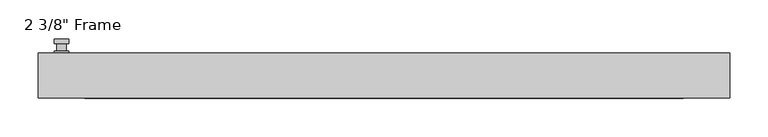
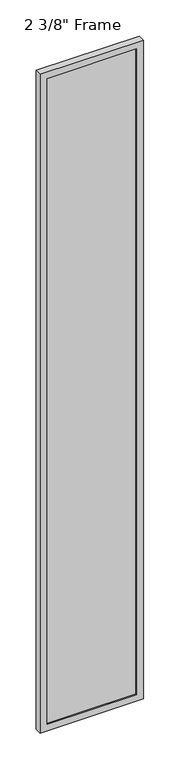
"""IFC4 building model written with IfcOpenShell, lengths in millimetres: plate geometry."""

from ifc_helpers import new_model, si_unit, frame, origin, place, context, project, spatial, polyline, circle_curve, outline, extrude, faceted_brep, source, transform, mapped, element, save
from ifc_brep_helpers import plane_surface, cylinder_surface, advanced_brep


def plate_96e6cb20(model_context):
    return source(origin(), model_context, "Body", "SolidModel", [
        advanced_brep(
        [(-410.5275, 29.36875, 927.1), (-429.5775, 29.36875, 927.1), (-429.5775, 29.36875, 901.7), (-410.5275, 29.36875, 901.7), (-413.7025, 42.06875, 914.4), (-413.7025, 32.54375, 914.4), (-426.4025, 32.54375, 914.4), (-426.4025, 42.06875, 914.4), (-410.5275, 42.06875, 914.4), (-429.5775, 42.06875, 914.4), (-426.3984644, 42.06875, 825.2736467), (-413.7065356, 42.06875, 825.2736467), (-410.5275, 48.41875, 914.4), (-413.7065356, 48.41875, 825.2736467), (-426.3984644, 48.41875, 825.2736467), (-429.5775, 48.41875, 914.4), (-410.5275, 32.54375, 927.1), (-410.5275, 32.54375, 901.7), (-429.5775, 32.54375, 901.7), (-429.5775, 32.54375, 927.1)],
        [
            (0, 1, circle_curve(frame((-420.0525, 29.36875, 927.1), z_axis=(0.0, -1.0, 0.0), x_axis=(-1.0, 0.0, 0.0)), 9.525)),
            (1, 2),
            (2, 3, circle_curve(frame((-420.0525, 29.36875, 901.7), z_axis=(0.0, -1.0, 0.0), x_axis=(-1.0, 0.0, 0.0)), 9.525)),
            (3, 0),
            (4, 5),
            (5, 6, circle_curve(frame((-420.0525, 32.54375, 914.4), z_axis=(0.0, 1.0, 0.0), x_axis=(-1.0, 0.0, 0.0)), 6.35)),
            (6, 7),
            (7, 4, circle_curve(frame((-420.0525, 42.06875, 914.4), z_axis=(0.0, -1.0, 0.0), x_axis=(-1.0, 0.0, 0.0)), 6.35)),
            (6, 5, circle_curve(frame((-420.0525, 32.54375, 914.4), z_axis=(0.0, 1.0, 0.0), x_axis=(-1.0, 0.0, 0.0)), 6.35)),
            (4, 7, circle_curve(frame((-420.0525, 42.06875, 914.4), z_axis=(0.0, -1.0, 0.0), x_axis=(-1.0, 0.0, 0.0)), 6.35)),
            (8, 9, circle_curve(frame((-420.0525, 42.06875, 914.4), z_axis=(0.0, -1.0, 0.0), x_axis=(-1.0, 0.0, 0.0)), 9.525)),
            (9, 10),
            (10, 11, circle_curve(frame((-420.0525, 42.06875, 825.5), z_axis=(0.0, -1.0, 0.0), x_axis=(-1.0, 0.0, 0.0)), 6.35)),
            (11, 8),
            (12, 13),
            (13, 14, circle_curve(frame((-420.0525, 48.41875, 825.5), z_axis=(0.0, 1.0, 0.0), x_axis=(-1.0, 0.0, 0.0)), 6.35)),
            (14, 15),
            (15, 12, circle_curve(frame((-420.0525, 48.41875, 914.4), z_axis=(0.0, 1.0, 0.0), x_axis=(-1.0, 0.0, 0.0)), 9.525)),
            (11, 13),
            (12, 8),
            (10, 14),
            (9, 15),
            (16, 17),
            (17, 18, circle_curve(frame((-420.0525, 32.54375, 901.7), z_axis=(0.0, 1.0, 0.0), x_axis=(-1.0, 0.0, 0.0)), 9.525)),
            (18, 19),
            (19, 16, circle_curve(frame((-420.0525, 32.54375, 927.1), z_axis=(0.0, 1.0, 0.0), x_axis=(-1.0, 0.0, 0.0)), 9.525)),
            (3, 17),
            (16, 0),
            (2, 18),
            (1, 19),
        ],
        [
            plane_surface(frame((-426.4025, 29.36875, 914.4), z_axis=(0.0, -1.0, 0.0), x_axis=(0.0, 0.0, 1.0))),
            cylinder_surface(frame((-420.0525, 42.06875, 914.4), z_axis=(0.0, -1.0, 0.0), x_axis=(-1.0, 0.0, 0.0)), 6.35),
            plane_surface(frame((-410.5275, 42.06875, 914.4), z_axis=(0.0, -1.0000000000000002, 0.0), x_axis=(-0.03564619348186888, 0.0, -0.9993644724975235))),
            plane_surface(frame((-410.5275, 48.41875, 914.4), z_axis=(0.0, 1.0000000000000002, 0.0), x_axis=(0.03564619348186888, 0.0, 0.9993644724975235))),
            plane_surface(frame((-410.5275, 42.06875, 914.4), z_axis=(0.9993644724975235, 0.0, -0.03564619348186888), x_axis=(0.0, 1.0, 0.0))),
            cylinder_surface(frame((-420.0525, 48.41875, 825.5), z_axis=(0.0, -1.0, 0.0), x_axis=(-1.0, 0.0, 0.0)), 6.35),
            plane_surface(frame((-426.3984644, 42.06875, 825.2736467), z_axis=(-0.9993644724975228, 0.0, -0.03564619348188612), x_axis=(0.0, 1.0, 0.0))),
            cylinder_surface(frame((-420.0525, 48.41875, 914.4), z_axis=(0.0, -1.0, 0.0), x_axis=(-1.0, 0.0, 0.0)), 9.525),
            plane_surface(frame((-410.5275, 32.54375, 901.7), z_axis=(0.0, 1.0, 0.0), x_axis=(0.0, 0.0, 1.0))),
            plane_surface(frame((-410.5275, 29.36875, 927.1), z_axis=(1.0, 0.0, 0.0), x_axis=(0.0, 1.0, 0.0))),
            cylinder_surface(frame((-420.0525, 32.54375, 901.7), z_axis=(0.0, -1.0, 0.0), x_axis=(-1.0, 0.0, 0.0)), 9.525),
            plane_surface(frame((-429.5775, 29.36875, 901.7), z_axis=(-1.0, 0.0, 0.0), x_axis=(0.0, 1.0, 0.0))),
            cylinder_surface(frame((-420.0525, 32.54375, 927.1), z_axis=(0.0, -1.0, 0.0), x_axis=(-1.0, 0.0, 0.0)), 9.525),
        ],
        [
            (0, [[1, 2, 3, 4]]),
            (1, [[5, 6, 7, 8]]),
            (1, [[-7, 9, -5, 10]]),
            (2, [[11, 12, 13, 14], [-10, -8]]),
            (3, [[15, 16, 17, 18]]),
            (4, [[19, -15, 20, -14]]),
            (5, [[21, -16, -19, -13]]),
            (6, [[22, -17, -21, -12]]),
            (7, [[-20, -18, -22, -11]]),
            (8, [[23, 24, 25, 26], [-9, -6]]),
            (9, [[27, -23, 28, -4]]),
            (10, [[29, -24, -27, -3]]),
            (11, [[30, -25, -29, -2]]),
            (12, [[-28, -26, -30, -1]]),
        ],
    ),
        faceted_brep([(-450.215, 29.36875, 0.0), (450.215, 29.36875, 0.0), (450.215, -29.36875, 0.0), (-450.215, -29.36875, 0.0), (-389.89, -29.36875, 5999.1625), (-389.89, -29.36875, 60.325), (-389.89, -19.84375, 60.325), (-389.89, -19.84375, 5999.1625), (402.59, -19.84375, 6011.8625), (402.59, -19.84375, 47.625), (-402.59, -19.84375, 47.625), (-402.59, -19.84375, 6011.8625), (389.89, -19.84375, 60.325), (389.89, -19.84375, 5999.1625), (-402.59, 3.96875, 47.625), (-402.59, 3.96875, 6011.8625), (402.59, 3.96875, 47.625), (402.59, 3.96875, 6011.8625), (-389.89, 3.96875, 5999.1625), (389.89, 3.96875, 5999.1625), (389.89, 3.96875, 60.325), (-389.89, 3.96875, 60.325), (-389.89, 29.36875, 60.325), (-389.89, 29.36875, 5999.1625), (-450.215, 29.36875, 6059.4875), (450.215, 29.36875, 6059.4875), (389.89, 29.36875, 60.325), (389.89, 29.36875, 5999.1625), (-450.215, -29.36875, 6059.4875), (450.215, -29.36875, 6059.4875), (389.89, -29.36875, 5999.1625), (389.89, -29.36875, 60.325)], [[[0, 1, 2, 3]], [[4, 5, 6, 7]], [[8, 9, 10, 11], [7, 6, 12, 13]], [[10, 14, 15, 11]], [[15, 14, 16, 17], [18, 19, 20, 21]], [[18, 21, 22, 23]], [[0, 24, 25, 1], [23, 22, 26, 27]], [[3, 28, 24, 0]], [[2, 29, 28, 3], [4, 30, 31, 5]], [[7, 13, 30, 4]], [[11, 15, 17, 8]], [[18, 23, 27, 19]], [[24, 28, 29, 25]], [[13, 12, 31, 30]], [[16, 9, 8, 17]], [[27, 26, 20, 19]], [[25, 29, 2, 1]], [[22, 21, 20, 26]], [[9, 16, 14, 10]], [[6, 5, 31, 12]]]),
        extrude(outline(polyline([(402.59, 3.96875), (402.59, -19.84375), (-402.59, -19.84375), (-402.59, 3.96875), (402.59, 3.96875)])), frame((0.0, 0.0, 47.625), z_axis=(0.0, 0.0, 1.0), x_axis=(1.0, 0.0, 0.0)), (0.0, 0.0, 1.0), 5964.2375),
    ])


if __name__ == "__main__":
    model = new_model("IFC4")
    model_context = context("Model", 3, world=origin())
    ifc_project = project(units=[si_unit("LENGTHUNIT", "METRE", prefix="MILLI")], contexts=[model_context])
    site = spatial("IfcSite", under=ifc_project)
    building = spatial("IfcBuilding", under=site)
    placement = place(None, origin())
    plate_shape = plate_96e6cb20(model_context)
    element("IfcPlate", 1, ObjectType="2 3/8\" Frame", at=placement, inside=building, context=model_context, shape_type="MappedRepresentation", body=[
        mapped(plate_shape, transform((0.0, 0.0, 0.0), x_axis=(1.0, 0.0, 0.0), y_axis=(0.0, 1.0, 0.0), z_axis=(0.0, 0.0, 1.0))),
    ])
    save(model, "model.ifc")
